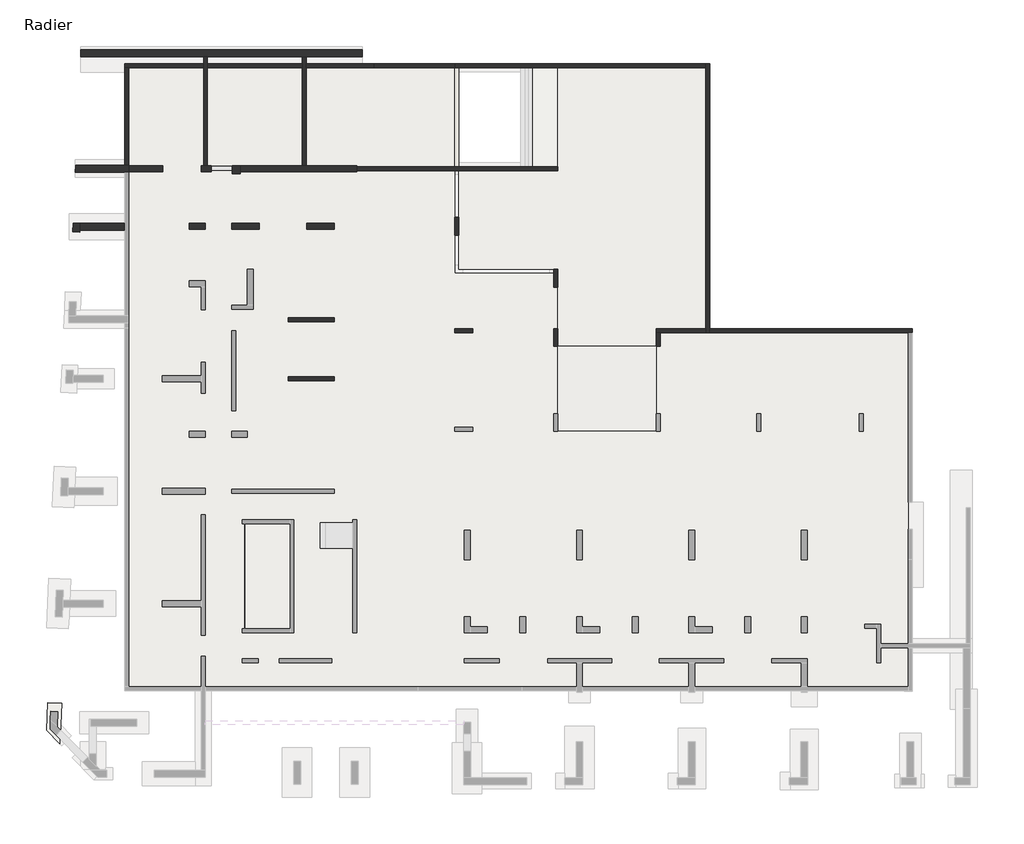
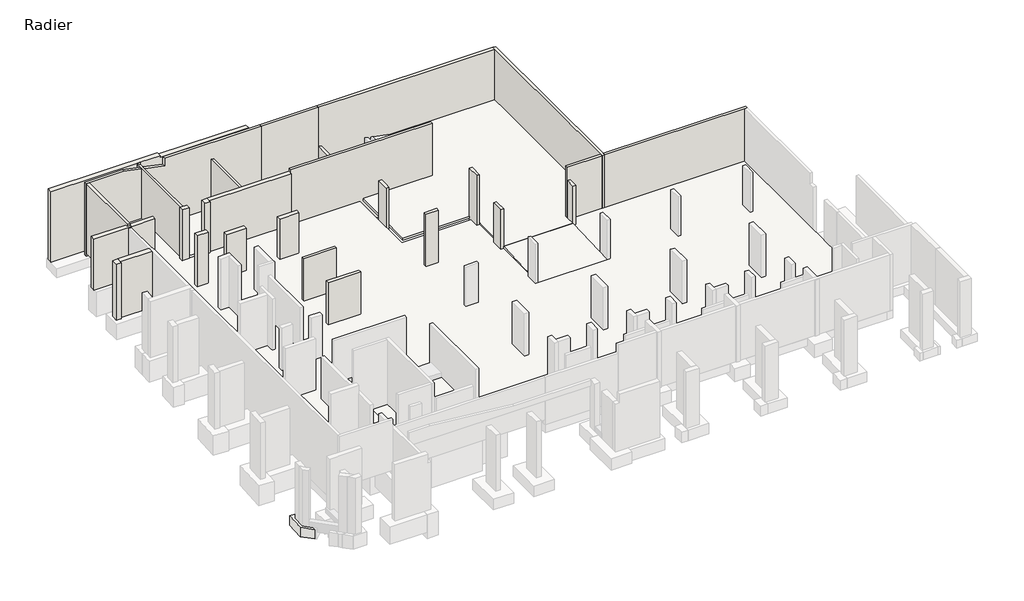
# One storey, part 3 of 5: 29 walls, 7 slabs, 1 footing.
"""IFC4 building model written with IfcOpenShell, lengths in millimetres."""

from ifc_helpers import new_model, si_unit, frame, origin, place, context, project, spatial, polyline, outline, extrude, faceted_brep, element, save

model = new_model("IFC4")

# Units and contexts
model_context = context("Model", 3, world=origin())
ifc_project = project(units=[si_unit("LENGTHUNIT", "METRE", prefix="MILLI")], contexts=[model_context])

# Site, building, storey
site = spatial("IfcSite", under=ifc_project)
building = spatial("IfcBuilding", under=site)
storey = spatial("IfcBuildingStorey", under=building, Name="Radier", Elevation=-3900.0)

# Footing
placement = place(None, origin())
element("IfcFooting", 1, at=placement, inside=storey, context=model_context, shape_type="Brep", body=[
    faceted_brep([(-44711.7209205, -15304.3985236, -4300.0), (-44012.4401019, -15336.1213366, -4300.0), (-44012.4401019, -15336.1213366, -5000.0), (-44711.7209205, -15304.3985236, -5000.0), (-44775.135193, -16702.2690206, -4300.0), (-44105.1806147, -17380.4438768, -4300.0), (-44061.9791653, -16428.1341019, -4300.0), (-44105.1806147, -17380.4438768, -5000.0), (-44061.9791653, -16428.1341019, -5000.0), (-44775.135193, -16702.2690206, -5000.0)], [[[0, 1, 2, 3]], [[0, 4, 5, 6, 1]], [[2, 1, 6, 5, 7, 8]], [[3, 2, 8, 7, 9]], [[0, 3, 9, 4]], [[5, 4, 9, 7]]]),
])

# Slabs
element("IfcSlab", 2, at=placement, inside=storey, context=model_context, shape_type="Brep", body=[
    faceted_brep([(-11395.6912908, 16850.9327501, -3900.0), (-11395.6912908, 11850.9327501, -3900.0), (-11395.6912908, 11650.9327501, -3900.0), (-11395.6912908, 3640.9327501, -3900.0), (-13895.6912908, 3640.9327501, -3900.0), (-13895.6912908, 3440.9327501, -3900.0), (-13895.6912908, 2940.9327501, -3900.0), (-13895.6912908, 2740.9327501, -3900.0), (-18895.6912908, 2740.9327501, -3900.0), (-18895.6912908, 2940.9327501, -3900.0), (-18895.6912908, 3440.9327501, -3900.0), (-18895.6912908, 3640.9327501, -3900.0), (-18895.6912908, 5750.9327501, -3900.0), (-18895.6912908, 6650.9327501, -3900.0), (-19095.6912908, 6650.9327501, -3900.0), (-23895.6912908, 6650.9327501, -3900.0), (-23895.6912908, 11650.9327501, -3900.0), (-19095.6912908, 11650.9327501, -3900.0), (-18895.6912908, 11650.9327501, -3900.0), (-18895.6912908, 11850.9327501, -3900.0), (-18895.6912908, 16850.9327501, -3900.0), (-11395.6912908, 16850.9327501, -3750.0), (-18895.6912908, 16850.9327501, -3750.0), (-18895.6912908, 11650.9327501, -3750.0), (-23895.6912908, 11650.9327501, -3750.0), (-23895.6912908, 9280.9327501, -3750.0), (-23895.6912908, 8380.9327501, -3750.0), (-23895.6912908, 6650.9327501, -3750.0), (-19095.6912908, 6650.9327501, -3750.0), (-18895.6912908, 6650.9327501, -3750.0), (-18895.6912908, 5750.9327501, -3750.0), (-18895.6912908, 3640.9327501, -3750.0), (-18895.6912908, 2740.9327501, -3750.0), (-13895.6912908, 2740.9327501, -3750.0), (-13895.6912908, 3640.9327501, -3750.0), (-11395.6912908, 3640.9327501, -3750.0)], [[[0, 1, 2, 3, 4, 5, 6, 7, 8, 9, 10, 11, 12, 13, 14, 15, 16, 17, 18, 19, 20]], [[21, 22, 23, 24, 25, 26, 27, 28, 29, 30, 31, 32, 33, 34, 35]], [[3, 2, 1, 0, 21, 35]], [[4, 3, 35, 34]], [[13, 12, 11, 10, 9, 8, 32, 31, 30, 29]], [[0, 20, 22, 21]], [[7, 6, 5, 4, 34, 33]], [[8, 7, 33, 32]], [[15, 14, 13, 29, 28, 27]], [[16, 15, 27, 26, 25, 24]], [[18, 17, 16, 24, 23]], [[20, 19, 18, 23, 22]]]),
])
element("IfcSlab", 3, at=placement, inside=storey, context=model_context, shape_type="SweptSolid", body=[
    extrude(outline(polyline([(-24095.6912908, 16850.9327501), (-24095.6912908, 11850.9327501), (-29065.6912908, 11850.9327501), (-29065.6912908, 11900.9327501), (-31825.6912908, 11900.9327501), (-31825.6912908, 16850.9327501), (-24095.6912908, 16850.9327501)])), frame((0.0, 0.0, -5030.0), z_axis=(0.0, 0.0, 1.0), x_axis=(1.0, 0.0, 0.0)), (0.0, 0.0, 1.0), 150.0),
])
element("IfcSlab", 4, at=placement, inside=storey, context=model_context, shape_type="Brep", body=[
    faceted_brep([(-36825.6912908, 16850.9327501, -4050.0), (-36825.6912908, 11900.9327501, -4050.0), (-36935.6912908, 11900.9327501, -4050.0), (-36935.6912908, 11600.9327501, -4050.0), (-36435.6912908, 11600.9327501, -4050.0), (-36435.6912908, 11650.9327501, -4050.0), (-35365.6912908, 11650.9327501, -4050.0), (-35365.6912908, 11500.9327501, -4050.0), (-34975.6912908, 11500.9327501, -4050.0), (-34975.6912908, 11600.9327501, -4050.0), (-29065.6912908, 11600.9327501, -4050.0), (-29065.6912908, 11650.9327501, -4050.0), (-24095.6912908, 11650.9327501, -4050.0), (-24095.6912908, 6450.9327501, -4050.0), (-23895.725742, 6450.9327501, -4050.0), (-18895.6912908, 6450.9327501, -4050.0), (-18895.6912908, 5750.9327501, -4050.0), (-18895.6912908, 3640.9327501, -4050.0), (-18895.6912908, -1559.0672499, -4050.0), (-13895.6912908, -1559.0672499, -4050.0), (-13895.6912908, 3640.9327501, -4050.0), (-1125.6912908, 3640.9327501, -4050.0), (-1125.6912908, -14494.0672499, -4050.0), (-40605.6912908, -14494.0672499, -4050.0), (-40605.6912908, 16850.9327501, -4050.0), (-32445.6912908, -6244.0672499, -4050.0), (-34745.6912908, -6244.0672499, -4050.0), (-34745.6912908, -11559.0672499, -4050.0), (-32445.6912908, -11559.0672499, -4050.0), (-36825.6912908, 16850.9327501, -3900.0), (-40605.6912908, 16850.9327501, -3900.0), (-40605.6912908, -14494.0672499, -3900.0), (-1125.6912908, -14494.0672499, -3900.0), (-1125.6912908, 3640.9327501, -3900.0), (-13895.6912908, 3640.9327501, -3900.0), (-13895.6912908, 3440.9327501, -3900.0), (-13895.6912908, 2940.9327501, -3900.0), (-13895.6912908, 2740.9327501, -3900.0), (-13895.6912908, -1359.0672499, -3900.0), (-13895.6912908, -1559.0672499, -3900.0), (-18895.6912908, -1559.0672499, -3900.0), (-18895.6912908, -1359.0672499, -3900.0), (-18895.6912908, 2740.9327501, -3900.0), (-18895.6912908, 2940.9327501, -3900.0), (-18895.6912908, 3440.9327501, -3900.0), (-18895.6912908, 3640.9327501, -3900.0), (-18895.6912908, 5750.9327501, -3900.0), (-18895.6912908, 6450.9327501, -3900.0), (-24095.6912908, 6450.9327501, -3900.0), (-24095.6912908, 11650.9327501, -3900.0), (-29065.6912908, 11650.9327501, -3900.0), (-29065.6912908, 11600.9327501, -3900.0), (-34975.6912908, 11600.9327501, -3900.0), (-34975.6912908, 11500.9327501, -3900.0), (-35365.6912908, 11500.9327501, -3900.0), (-35365.6912908, 11650.9327501, -3900.0), (-36435.6912908, 11650.9327501, -3900.0), (-36435.6912908, 11600.9327501, -3900.0), (-36935.6912908, 11600.9327501, -3900.0), (-36935.6912908, 11900.9327501, -3900.0), (-36825.6912908, 11900.9327501, -3900.0), (-32445.6912908, -6244.0672499, -3900.0), (-32445.6912908, -11559.0672499, -3900.0), (-34745.6912908, -11559.0672499, -3900.0), (-34745.6912908, -6244.0672499, -3900.0)], [[[0, 1, 2, 3, 4, 5, 6, 7, 8, 9, 10, 11, 12, 13, 14, 15, 16, 17, 18, 19, 20, 21, 22, 23, 24], [25, 26, 27, 28]], [[29, 30, 31, 32, 33, 34, 35, 36, 37, 38, 39, 40, 41, 42, 43, 44, 45, 46, 47, 48, 49, 50, 51, 52, 53, 54, 55, 56, 57, 58, 59, 60], [61, 62, 63, 64]], [[1, 0, 29, 60]], [[2, 1, 60, 59]], [[3, 2, 59, 58]], [[4, 3, 58, 57]], [[5, 4, 57, 56]], [[6, 5, 56, 55]], [[7, 6, 55, 54]], [[8, 7, 54, 53]], [[9, 8, 53, 52]], [[10, 9, 52, 51]], [[11, 10, 51, 50]], [[12, 11, 50, 49]], [[13, 12, 49, 48]], [[15, 14, 13, 48, 47]], [[18, 17, 16, 15, 47, 46, 45, 44, 43, 42, 41, 40]], [[19, 18, 40, 39]], [[20, 19, 39, 38, 37, 36, 35, 34]], [[21, 20, 34, 33]], [[22, 21, 33, 32]], [[23, 22, 32, 31]], [[24, 23, 31, 30]], [[0, 24, 30, 29]], [[26, 25, 61, 64]], [[27, 26, 64, 63]], [[28, 27, 63, 62]], [[25, 28, 62, 61]]]),
])
element("IfcSlab", 5, at=placement, inside=storey, context=model_context, shape_type="SweptSolid", body=[
    extrude(outline(polyline([(2740.9327501, -3899.5918469), (-1559.0672499, -4050.0918469), (-1559.0672499, -3900.0), (2740.9327501, -3749.5), (2740.9327501, -3899.5918469)])), frame((-18895.6912908, 0.0, 0.0), z_axis=(1.0, 0.0, 0.0), x_axis=(0.0, 1.0, 0.0)), (0.0, 0.0, 1.0), 5000.0),
])
element("IfcSlab", 6, at=placement, inside=storey, context=model_context, shape_type="SweptSolid", body=[
    extrude(outline(polyline([(-32445.6912908, -6244.0672499), (-32445.6912908, -11559.0672499), (-34745.6912908, -11559.0672499), (-34745.6912908, -6244.0672499), (-32445.6912908, -6244.0672499)])), frame((0.0, 0.0, -5750.0), z_axis=(0.0, 0.0, 1.0), x_axis=(1.0, 0.0, 0.0)), (0.0, 0.0, 1.0), 150.0),
])
element("IfcSlab", 7, at=placement, inside=storey, context=model_context, shape_type="Brep", body=[
    faceted_brep([(-18895.7442801, 16850.9327501, -3903.029703), (-18895.7442801, 11850.9327501, -3903.029703), (-18910.7428098, 11850.9327501, -3900.0), (-20150.6912908, 11850.9327501, -3649.5304068), (-20150.6912908, 16850.9327501, -3649.5304068), (-18910.7428098, 16850.9327501, -3900.0), (-18895.7442801, 16850.9327501, -3750.0), (-20150.6912908, 16850.9327501, -3496.5007038), (-20150.6912908, 11850.9327501, -3496.5007038), (-18895.7442801, 11850.9327501, -3750.0)], [[[0, 1, 2, 3, 4, 5]], [[6, 7, 8, 9]], [[1, 0, 6, 9]], [[3, 2, 1, 9, 8]], [[4, 3, 8, 7]], [[0, 5, 4, 7, 6]]]),
])
element("IfcSlab", 8, at=placement, inside=storey, context=model_context, shape_type="SweptSolid", body=[
    extrude(outline(polyline([(-31825.6912908, 16850.9327501), (-31825.6912908, 11900.9327501), (-36625.6912908, 11900.9327501), (-36625.6912908, 16850.9327501), (-31825.6912908, 16850.9327501)])), frame((0.0, 0.0, -5130.0), z_axis=(0.0, 0.0, 1.0), x_axis=(1.0, 0.0, 0.0)), (0.0, 0.0, 1.0), 250.0),
])

# Walls
element("IfcWall", 9, ObjectType="MHA20", at=placement, inside=storey, context=model_context, shape_type="Brep", body=[
    faceted_brep([(-40805.6912908, 16850.9327501, -5150.0), (-40805.6912908, 11750.9327501, -5150.0), (-40805.6912908, 11750.9327501, -4900.0), (-40805.6912908, 11750.9327501, -3900.0), (-40805.6912908, 11925.9327501, -3900.0), (-40805.6912908, 11925.9327501, -20.0), (-40805.6912908, 11900.9327501, -20.0), (-40805.6912908, 11750.9327501, -20.0), (-40805.6912908, 11750.9327501, 130.0), (-40805.6912908, 11900.9327501, 130.0), (-40805.6912908, 16850.9327501, 130.0), (-40605.6912908, 16850.9327501, -5150.0), (-40605.6912908, 16850.9327501, 130.0), (-40605.6912908, 11900.9327501, 130.0), (-40605.6912908, 11750.9327501, 130.0), (-40605.6912908, 11750.9327501, -20.0), (-40605.6912908, 11900.9327501, -20.0), (-40605.6912908, 11925.9327501, -20.0), (-40605.6912908, 11925.9327501, -3900.0), (-40605.6912908, 11750.9327501, -3900.0), (-40605.6912908, 11750.9327501, -4900.0), (-40605.6912908, 11750.9327501, -5150.0)], [[[0, 1, 2, 3, 4, 5, 6, 7, 8, 9, 10]], [[11, 12, 13, 14, 15, 16, 17, 18, 19, 20, 21]], [[1, 0, 11, 21]], [[8, 7, 15, 14]], [[10, 9, 8, 14, 13, 12]], [[0, 10, 12, 11]], [[5, 17, 16, 15, 7, 6]], [[3, 2, 1, 21, 20, 19]], [[18, 4, 3, 19]], [[5, 4, 18, 17]]]),
])
element("IfcWall", 10, ObjectType="MHA20", at=placement, inside=storey, context=model_context, shape_type="SweptSolid", body=[
    extrude(outline(polyline([(-925.6912908, 3440.9327501), (-11195.6912908, 3440.9327501), (-11195.6912908, 3640.9327501), (-925.6912908, 3640.9327501), (-925.6912908, 3440.9327501)])), frame((0.0, 0.0, -4300.0), z_axis=(0.0, 0.0, 1.0), x_axis=(1.0, 0.0, 0.0)), (0.0, 0.0, 1.0), 4400.0),
])
element("IfcWall", 11, ObjectType="MHA20", at=placement, inside=storey, context=model_context, shape_type="Brep", body=[
    faceted_brep([(-11195.6912908, 3440.9327501, -4300.0), (-11195.6912908, 3640.9327501, -4300.0), (-11195.6912908, 17050.9327501, -4300.0), (-11195.6912908, 17050.9327501, 100.0), (-11195.6912908, 3640.9327501, 100.0), (-11195.6912908, 3440.9327501, 100.0), (-11395.6912908, 3440.9327501, -4300.0), (-11395.6912908, 3440.9327501, 100.0), (-11395.6912908, 6435.9327501, 100.0), (-11395.6912908, 6635.9327501, 100.0), (-11395.6912908, 16850.9327501, 100.0), (-11395.6912908, 17050.9327501, 100.0), (-11395.6912908, 17050.9327501, -4300.0), (-11395.6912908, 16850.9327501, -4300.0)], [[[0, 1, 2, 3, 4, 5]], [[6, 7, 8, 9, 10, 11, 12, 13]], [[2, 1, 0, 6, 13, 12]], [[5, 4, 3, 11, 10, 9, 8, 7]], [[3, 2, 12, 11]], [[0, 5, 7, 6]]]),
])
element("IfcWall", 12, ObjectType="MHA20", at=placement, inside=storey, context=model_context, shape_type="Brep", body=[
    faceted_brep([(-32545.6912908, 1000.9327501, -4300.0), (-30205.6912908, 1000.9327501, -4300.0), (-30205.6912908, 1000.9327501, -1650.0), (-30205.6912908, 1000.9327501, -830.0), (-30205.6912908, 1000.9327501, -670.0), (-32545.6912908, 1000.9327501, -670.0), (-32545.6912908, 1000.9327501, -830.0), (-32545.6912908, 1000.9327501, -1650.0), (-32545.6912908, 1200.9327501, -4300.0), (-32545.6912908, 1200.9327501, -1650.0), (-32545.6912908, 1200.9327501, -830.0), (-32545.6912908, 1200.9327501, -670.0), (-30205.6912908, 1200.9327501, -670.0), (-30205.6912908, 1200.9327501, -830.0), (-30205.6912908, 1200.9327501, -1650.0), (-30205.6912908, 1200.9327501, -4300.0)], [[[0, 1, 2, 3, 4, 5, 6, 7]], [[8, 9, 10, 11, 12, 13, 14, 15]], [[1, 0, 8, 15]], [[4, 3, 2, 1, 15, 14, 13, 12]], [[5, 4, 12, 11]], [[0, 7, 6, 5, 11, 10, 9, 8]]]),
])
element("IfcWall", 13, ObjectType="MHA20", at=placement, inside=storey, context=model_context, shape_type="Brep", body=[
    faceted_brep([(-30205.6912908, 4200.9327501, -4300.0), (-32545.6912908, 4200.9327501, -4300.0), (-32545.6912908, 4200.9327501, -670.0), (-30205.6912908, 4200.9327501, -670.0), (-30205.6912908, 4200.9327501, -830.0), (-30205.6912908, 4200.9327501, -1650.0), (-30205.6912908, 4000.9327501, -4300.0), (-30205.6912908, 4000.9327501, -1650.0), (-30205.6912908, 4000.9327501, -830.0), (-30205.6912908, 4000.9327501, -670.0), (-32545.6912908, 4000.9327501, -670.0), (-32545.6912908, 4000.9327501, -4300.0)], [[[0, 1, 2, 3, 4, 5]], [[6, 7, 8, 9, 10, 11]], [[1, 0, 6, 11]], [[2, 1, 11, 10]], [[3, 2, 10, 9]], [[0, 5, 4, 3, 9, 8, 7, 6]]]),
])
element("IfcWall", 14, ObjectType="MHA20", at=placement, inside=storey, context=model_context, shape_type="Brep", body=[
    faceted_brep([(-36625.6912908, 11900.9327501, -5300.0), (-36625.6912908, 16850.9327501, -5300.0), (-36625.6912908, 17050.9327501, -5300.0), (-36625.6912908, 17405.9327501, -5300.0), (-36625.6912908, 17405.9327501, -20.0), (-36625.6912908, 17380.9327501, -20.0), (-36625.6912908, 17380.9327501, -168.54), (-36625.6912908, 17050.9327501, -168.54), (-36625.6912908, 16850.9327501, -168.54), (-36625.6912908, 11900.9327501, -168.54), (-36825.6912908, 17405.9327501, -5300.0), (-36825.6912908, 17050.9327501, -5300.0), (-36825.6912908, 16850.9327501, -5300.0), (-36825.6912908, 11900.9327501, -5300.0), (-36825.6912908, 11900.9327501, -128.14), (-36825.6912908, 16850.9327501, -128.14), (-36825.6912908, 17050.9327501, -128.14), (-36825.6912908, 17380.9327501, -128.14), (-36825.6912908, 17380.9327501, -20.0), (-36825.6912908, 17405.9327501, -20.0)], [[[0, 1, 2, 3, 4, 5, 6, 7, 8, 9]], [[10, 11, 12, 13, 14, 15, 16, 17, 18, 19]], [[3, 2, 1, 0, 13, 12, 11, 10]], [[4, 19, 18, 5]], [[13, 0, 9, 14]], [[17, 6, 5, 18]], [[6, 17, 16, 15, 14, 9, 8, 7]], [[4, 3, 10, 19]]]),
])
element("IfcWall", 15, ObjectType="MHA20", at=placement, inside=storey, context=model_context, shape_type="Brep", body=[
    faceted_brep([(-24095.6912908, 16850.9327501, -4300.0), (-11395.6912908, 16850.9327501, -4300.0), (-11395.6912908, 16850.9327501, 100.0), (-13695.6912908, 16850.9327501, 100.0), (-13895.6912908, 16850.9327501, 100.0), (-20550.6912908, 16850.9327501, 100.0), (-20750.6912908, 16850.9327501, 100.0), (-24095.6912908, 16850.9327501, 100.0), (-24095.6912908, 16850.9327501, -2576.9882812), (-24095.6912908, 17050.9327501, -4300.0), (-24095.6912908, 17050.9327501, 100.0), (-11395.6912908, 17050.9327501, 100.0), (-11395.6912908, 17050.9327501, -4300.0)], [[[0, 1, 2, 3, 4, 5, 6, 7, 8]], [[9, 10, 11, 12]], [[1, 0, 9, 12]], [[7, 6, 5, 4, 3, 2, 11, 10]], [[0, 8, 7, 10, 9]], [[2, 1, 12, 11]]]),
])
element("IfcWall", 16, ObjectType="MHA20", at=placement, inside=storey, context=model_context, shape_type="Brep", body=[
    faceted_brep([(-29065.6912908, 11650.9327501, 230.0), (-29065.6912908, 11650.9327501, -5570.0), (-18895.7442801, 11650.9327501, -5570.0), (-18895.7442801, 11650.9327501, -4550.0), (-18895.7442801, 11650.9327501, -3900.0), (-18895.7442801, 11650.9327501, -1450.0), (-18895.7442801, 11650.9327501, -951.7084699), (-18895.7442801, 11650.9327501, -771.6994701), (-18895.7442801, 11650.9327501, 230.0), (-29065.6912908, 11850.9327501, -5570.0), (-29065.6912908, 11850.9327501, 230.0), (-18895.7442801, 11850.9327501, 230.0), (-18895.7442801, 11850.9327501, -771.6994701), (-18895.7442801, 11850.9327501, -951.7084699), (-18895.7442801, 11850.9327501, -1450.0), (-18895.7442801, 11850.9327501, -3900.0), (-18895.7442801, 11850.9327501, -4550.0), (-18895.7442801, 11850.9327501, -5570.0)], [[[0, 1, 2, 3, 4, 5, 6, 7, 8]], [[9, 10, 11, 12, 13, 14, 15, 16, 17]], [[2, 1, 9, 17]], [[8, 7, 6, 5, 4, 3, 2, 17, 16, 15, 14, 13, 12, 11]], [[0, 8, 11, 10]], [[0, 10, 9, 1]]]),
])
element("IfcWall", 17, ObjectType="MHA20", at=placement, inside=storey, context=model_context, shape_type="Brep", body=[
    faceted_brep([(-31625.6912908, 11900.9327501, -5300.0), (-31625.6912908, 16850.9327501, -5300.0), (-31625.6912908, 17050.9327501, -5300.0), (-31625.6912908, 17405.9327501, -5300.0), (-31625.6912908, 17405.9327501, -907.3968269), (-31625.6912908, 17380.9327501, -907.3968269), (-31625.6912908, 17380.9327501, -1178.54), (-31625.6912908, 17050.9327501, -1178.54), (-31625.6912908, 16850.9327501, -1178.54), (-31625.6912908, 11900.9327501, -1178.54), (-31825.6912908, 17405.9327501, -5300.0), (-31825.6912908, 17050.9327501, -5300.0), (-31825.6912908, 16850.9327501, -5300.0), (-31825.6912908, 11900.9327501, -5300.0), (-31825.6912908, 11900.9327501, -1138.14), (-31825.6912908, 16850.9327501, -1138.14), (-31825.6912908, 17050.9327501, -1138.14), (-31825.6912908, 17380.9327501, -1138.14), (-31825.6912908, 17380.9327501, -907.3968269), (-31825.6912908, 17405.9327501, -907.3968269)], [[[0, 1, 2, 3, 4, 5, 6, 7, 8, 9]], [[10, 11, 12, 13, 14, 15, 16, 17, 18, 19]], [[3, 2, 1, 0, 13, 12, 11, 10]], [[4, 19, 18, 5]], [[13, 0, 9, 14]], [[17, 6, 5, 18]], [[6, 17, 16, 15, 14, 9, 8, 7]], [[4, 3, 10, 19]]]),
])
element("IfcWall", 18, ObjectType="MHA20", at=placement, inside=storey, context=model_context, shape_type="Brep", body=[
    faceted_brep([(-23895.6912908, 11850.9327501, -5300.0), (-23895.6912908, 16850.9327501, -5300.0), (-23895.6912908, 16850.9327501, -2903.2316832), (-23895.6912908, 11850.9327501, -2903.2316832), (-24095.6912908, 16850.9327501, -5300.0), (-24095.6912908, 11850.9327501, -5300.0), (-24095.6912908, 11850.9327501, -2862.8316832), (-24095.6912908, 16850.9327501, -2862.8316832), (-24095.6912908, 16850.9327501, -4300.0)], [[[0, 1, 2, 3]], [[4, 5, 6, 7, 8]], [[1, 0, 5, 4]], [[5, 0, 3, 6]], [[3, 2, 7, 6]], [[1, 4, 8, 7, 2]]]),
])
element("IfcWall", 19, ObjectType="MHA20", at=placement, inside=storey, context=model_context, shape_type="Brep", body=[
    faceted_brep([(-13895.6912908, 3440.9327501, -4300.0), (-13695.6912908, 3440.9327501, -4300.0), (-11395.6912908, 3440.9327501, -4300.0), (-11395.6912908, 3440.9327501, 100.0), (-13895.6912908, 3440.9327501, 100.0), (-13895.6912908, 3440.9327501, -900.0), (-13895.6912908, 3440.9327501, -1450.0), (-13895.6912908, 3440.9327501, -3900.0), (-13895.6912908, 3440.9327501, -4150.0), (-13895.6912908, 3640.9327501, -4300.0), (-13895.6912908, 3640.9327501, -4150.0), (-13895.6912908, 3640.9327501, -3900.0), (-13895.6912908, 3640.9327501, -1450.0), (-13895.6912908, 3640.9327501, 100.0), (-11395.6912908, 3640.9327501, 100.0), (-11395.6912908, 3640.9327501, -4300.0)], [[[0, 1, 2, 3, 4, 5, 6, 7, 8]], [[9, 10, 11, 12, 13, 14, 15]], [[2, 1, 0, 9, 15]], [[3, 2, 15, 14]], [[4, 3, 14, 13]], [[0, 8, 7, 6, 5, 4, 13, 12, 11, 10, 9]]]),
])
element("IfcWall", 20, ObjectType="MHA20", at=placement, inside=storey, context=model_context, shape_type="SweptSolid", body=[
    extrude(outline(polyline([(-24095.6912908, 16850.9327501), (-28205.6912908, 16850.9327501), (-28205.6912908, 17050.9327501), (-24095.6912908, 17050.9327501), (-24095.6912908, 16850.9327501)])), frame((0.0, 0.0, -5400.0), z_axis=(0.0, 0.0, 1.0), x_axis=(1.0, 0.0, 0.0)), (0.0, 0.0, 1.0), 5500.0),
])
element("IfcWall", 21, ObjectType="MHA20", at=placement, inside=storey, context=model_context, shape_type="Brep", body=[
    faceted_brep([(-40805.6912908, 16850.9327501, -5400.0), (-28205.6912908, 16850.9327501, -5400.0), (-28205.6912908, 16850.9327501, 100.0), (-35175.6912908, 16850.9327501, 100.0), (-35175.6912908, 16850.9327501, -461.44), (-36625.6912908, 16850.9327501, -168.54), (-36625.6912908, 16850.9327501, -5300.0), (-36825.6912908, 16850.9327501, -5300.0), (-36825.6912908, 16850.9327501, -128.14), (-38103.6120829, 16850.9327501, 130.0), (-40605.6912908, 16850.9327501, 130.0), (-40805.6912908, 16850.9327501, 130.0), (-40805.6912908, 16850.9327501, -5150.0), (-31625.6912908, 16850.9327501, -1178.54), (-31625.6912908, 16850.9327501, -5300.0), (-31825.6912908, 16850.9327501, -5300.0), (-31825.6912908, 16850.9327501, -1138.14), (-28205.6912908, 17050.9327501, -5400.0), (-40805.6912908, 17050.9327501, -5400.0), (-40805.6912908, 17050.9327501, 130.0), (-38103.6120829, 17050.9327501, 130.0), (-36825.6912908, 17050.9327501, -128.14), (-36825.6912908, 17050.9327501, -5300.0), (-36625.6912908, 17050.9327501, -5300.0), (-36625.6912908, 17050.9327501, -168.54), (-35175.6912908, 17050.9327501, -461.44), (-35175.6912908, 17050.9327501, 100.0), (-28205.6912908, 17050.9327501, 100.0), (-31625.6912908, 17050.9327501, -5300.0), (-31625.6912908, 17050.9327501, -1178.54), (-31825.6912908, 17050.9327501, -1138.14), (-31825.6912908, 17050.9327501, -5300.0)], [[[0, 1, 2, 3, 4, 5, 6, 7, 8, 9, 10, 11, 12], [13, 14, 15, 16]], [[17, 18, 19, 20, 21, 22, 23, 24, 25, 26, 27], [28, 29, 30, 31]], [[1, 0, 18, 17]], [[2, 1, 17, 27]], [[3, 2, 27, 26]], [[0, 12, 11, 19, 18]], [[4, 3, 26, 25]], [[4, 25, 24, 5]], [[20, 9, 8, 21]], [[11, 10, 9, 20, 19]], [[23, 6, 5, 24]], [[7, 22, 21, 8]], [[6, 23, 22, 7]], [[13, 29, 28, 14]], [[30, 16, 15, 31]], [[14, 28, 31, 15]], [[29, 13, 16, 30]]]),
])
element("IfcWall", 22, ObjectType="MHA20", at=placement, inside=storey, context=model_context, shape_type="Brep", body=[
    faceted_brep([(-13695.6912908, 2740.9327501, -4300.0), (-13695.6912908, 3440.9327501, -4300.0), (-13695.6912908, 3440.9327501, -1450.0), (-13695.6912908, 3440.9327501, -900.0), (-13695.6912908, 2740.9327501, -900.0), (-13695.6912908, 2740.9327501, -1450.0), (-13895.6912908, 2740.9327501, -4300.0), (-13895.6912908, 2740.9327501, -4150.0), (-13895.6912908, 2740.9327501, -3900.0), (-13895.6912908, 2740.9327501, -1450.0), (-13895.6912908, 2740.9327501, -900.0), (-13895.6912908, 3440.9327501, -900.0), (-13895.6912908, 3440.9327501, -1450.0), (-13895.6912908, 3440.9327501, -4300.0)], [[[0, 1, 2, 3, 4, 5]], [[6, 7, 8, 9, 10, 11, 12, 13]], [[1, 0, 6, 13]], [[4, 3, 11, 10]], [[0, 5, 4, 10, 9, 8, 7, 6]], [[3, 2, 1, 13, 12, 11]]]),
])
element("IfcWall", 23, ObjectType="MHA20", at=placement, inside=storey, context=model_context, shape_type="Brep", body=[
    faceted_brep([(-19095.6912908, 3640.9327501, -4300.0), (-19095.6912908, 2740.9327501, -4300.0), (-19095.6912908, 2740.9327501, -1450.0), (-19095.6912908, 2740.9327501, -900.0), (-19095.6912908, 3440.9327501, -900.0), (-19095.6912908, 3640.9327501, -900.0), (-19095.6912908, 3640.9327501, -1450.0), (-19095.6912908, 3640.9327501, -3750.0), (-19095.6912908, 3640.9327501, -3900.0), (-19095.6912908, 3640.9327501, -4050.0), (-19095.6912908, 3640.9327501, -4150.0), (-18895.6912908, 3640.9327501, -4300.0), (-18895.6912908, 3640.9327501, -4150.0), (-18895.6912908, 3640.9327501, -4050.0), (-18895.6912908, 3640.9327501, -3900.0), (-18895.6912908, 3640.9327501, -3750.0), (-18895.6912908, 3640.9327501, -1450.0), (-18895.6912908, 3640.9327501, -900.0), (-18895.6912908, 3440.9327501, -900.0), (-18895.6912908, 2740.9327501, -900.0), (-18895.6912908, 2740.9327501, -1450.0), (-18895.6912908, 2740.9327501, -3900.0), (-18895.6912908, 2740.9327501, -4150.0), (-18895.6912908, 2740.9327501, -4300.0)], [[[0, 1, 2, 3, 4, 5, 6, 7, 8, 9, 10]], [[11, 12, 13, 14, 15, 16, 17, 18, 19, 20, 21, 22, 23]], [[1, 0, 11, 23]], [[3, 2, 1, 23, 22, 21, 20, 19]], [[5, 4, 3, 19, 18, 17]], [[0, 10, 9, 8, 7, 6, 5, 17, 16, 15, 14, 13, 12, 11]]]),
])
element("IfcWall", 24, ObjectType="MHA20", at=placement, inside=storey, context=model_context, shape_type="Brep", body=[
    faceted_brep([(-18895.6912908, 5750.9327501, -4300.0), (-18895.6912908, 6650.9327501, -4300.0), (-18895.6912908, 6650.9327501, -3900.0), (-18895.6912908, 6650.9327501, -1450.0), (-18895.6912908, 6650.9327501, -951.7089998), (-18895.6912908, 6650.9327501, -771.7), (-18895.6912908, 6650.9327501, -100.0), (-18895.6912908, 5750.9327501, -100.0), (-18895.6912908, 5750.9327501, -771.7), (-18895.6912908, 5750.9327501, -951.7089998), (-18895.6912908, 5750.9327501, -1450.0), (-18895.6912908, 5750.9327501, -3750.0), (-18895.6912908, 5750.9327501, -3900.0), (-18895.6912908, 5750.9327501, -4050.0), (-19095.6912908, 5750.9327501, -4300.0), (-19095.6912908, 5750.9327501, -4050.0), (-19095.6912908, 5750.9327501, -3900.0), (-19095.6912908, 5750.9327501, -3750.0), (-19095.6912908, 5750.9327501, -1450.0), (-19095.6912908, 5750.9327501, -949.7089998), (-19095.6912908, 5750.9327501, -769.7), (-19095.6912908, 5750.9327501, -100.0), (-19095.6912908, 6650.9327501, -100.0), (-19095.6912908, 6650.9327501, -769.7), (-19095.6912908, 6650.9327501, -949.7089998), (-19095.6912908, 6650.9327501, -1450.0), (-19095.6912908, 6650.9327501, -3750.0), (-19095.6912908, 6650.9327501, -3900.0), (-19095.6912908, 6650.9327501, -4300.0), (-19095.6912908, 6450.9327501, -4300.0)], [[[0, 1, 2, 3, 4, 5, 6, 7, 8, 9, 10, 11, 12, 13]], [[14, 15, 16, 17, 18, 19, 20, 21, 22, 23, 24, 25, 26, 27, 28, 29]], [[1, 0, 14, 29, 28]], [[6, 5, 4, 3, 2, 1, 28, 27, 26, 25, 24, 23, 22]], [[7, 6, 22, 21]], [[0, 13, 12, 11, 10, 9, 8, 7, 21, 20, 19, 18, 17, 16, 15, 14]]]),
])
element("IfcWall", 25, ObjectType="MHA20", at=placement, inside=storey, context=model_context, shape_type="Brep", body=[
    faceted_brep([(-23895.6912908, 8380.9327501, -4300.0), (-23895.6912908, 9280.9327501, -4300.0), (-23895.6912908, 9280.9327501, -3750.0), (-23895.6912908, 9280.9327501, -901.7089998), (-23895.6912908, 8930.9327501, -901.7089998), (-23895.6912908, 8730.9327501, -901.7089998), (-23895.6912908, 8380.9327501, -901.7089998), (-23895.6912908, 8380.9327501, -3750.0), (-24095.6912908, 8380.9327501, -4300.0), (-24095.6912908, 8380.9327501, -3750.0), (-24095.6912908, 8380.9327501, -901.7089998), (-24095.6912908, 8730.9327501, -901.7089998), (-24095.6912908, 8930.9327501, -901.7089998), (-24095.6912908, 9280.9327501, -901.7089998), (-24095.6912908, 9280.9327501, -3750.0), (-24095.6912908, 9280.9327501, -4300.0)], [[[0, 1, 2, 3, 4, 5, 6, 7]], [[8, 9, 10, 11, 12, 13, 14, 15]], [[1, 0, 8, 15]], [[3, 2, 1, 15, 14, 13]], [[6, 5, 4, 3, 13, 12, 11, 10]], [[0, 7, 6, 10, 9, 8]]]),
])
element("IfcWall", 26, ObjectType="MHA20", at=placement, inside=storey, context=model_context, shape_type="Brep", body=[
    faceted_brep([(-24095.725742, 3440.9327501, -4300.0), (-23195.725742, 3440.9327501, -4300.0), (-23195.725742, 3440.9327501, -4150.0), (-23195.725742, 3440.9327501, -4050.0), (-23195.725742, 3440.9327501, -3900.0), (-23195.725742, 3440.9327501, -3750.0), (-23195.725742, 3440.9327501, 100.0), (-24095.725742, 3440.9327501, 100.0), (-24095.725742, 3440.9327501, -1450.0), (-24095.725742, 3640.9327501, -4300.0), (-24095.725742, 3640.9327501, -4050.0), (-24095.725742, 3640.9327501, -1450.0), (-24095.725742, 3640.9327501, 100.0), (-23195.725742, 3640.9327501, 100.0), (-23195.725742, 3640.9327501, -3750.0), (-23195.725742, 3640.9327501, -3900.0), (-23195.725742, 3640.9327501, -4050.0), (-23195.725742, 3640.9327501, -4150.0), (-23195.725742, 3640.9327501, -4300.0), (-23895.725742, 3640.9327501, -4300.0)], [[[0, 1, 2, 3, 4, 5, 6, 7, 8]], [[9, 10, 11, 12, 13, 14, 15, 16, 17, 18, 19]], [[1, 0, 9, 19, 18]], [[6, 5, 4, 3, 2, 1, 18, 17, 16, 15, 14, 13]], [[7, 6, 13, 12]], [[0, 8, 7, 12, 11, 10, 9]]]),
])
element("IfcWall", 27, ObjectType="MHA30", at=placement, inside=storey, context=model_context, shape_type="SweptSolid", body=[
    extrude(outline(polyline([(-37535.6912908, 8980.9327501), (-36735.6912908, 8980.9327501), (-36735.6912908, 8680.9327501), (-37535.6912908, 8680.9327501), (-37535.6912908, 8980.9327501)])), frame((0.0, 0.0, -4300.0), z_axis=(0.0, 0.0, 1.0), x_axis=(1.0, 0.0, 0.0)), (0.0, 0.0, 1.0), 4280.0),
])
element("IfcWall", 28, ObjectType="MHA30", at=placement, inside=storey, context=model_context, shape_type="Brep", body=[
    faceted_brep([(-36435.6912908, 11900.9327501, -5570.0), (-36935.6912908, 11900.9327501, -5570.0), (-36935.6912908, 11900.9327501, -20.0), (-36435.6912908, 11900.9327501, -20.0), (-36435.6912908, 11600.9327501, -5570.0), (-36435.6912908, 11600.9327501, -20.0), (-36935.6912908, 11600.9327501, -20.0), (-36935.6912908, 11600.9327501, -5570.0), (-36435.6912908, 11850.9327501, -5570.0), (-36435.6912908, 11650.9327501, -5570.0)], [[[0, 1, 2, 3]], [[4, 5, 6, 7]], [[1, 0, 8, 9, 4, 7]], [[2, 1, 7, 6]], [[3, 2, 6, 5]], [[0, 3, 5, 4, 9, 8]]]),
])
element("IfcWall", 29, ObjectType="MHA30", at=placement, inside=storey, context=model_context, shape_type="Brep", body=[
    faceted_brep([(-34975.6912908, 11600.9327501, -5570.0), (-29065.6912908, 11600.9327501, -5570.0), (-29065.6912908, 11600.9327501, -20.0), (-34975.6912908, 11600.9327501, -20.0), (-34975.6912908, 11900.9327501, -5570.0), (-34975.6912908, 11900.9327501, -20.0), (-29065.6912908, 11900.9327501, -20.0), (-29065.6912908, 11900.9327501, -5570.0), (-29065.6912908, 11850.9327501, -5570.0), (-29065.6912908, 11650.9327501, -5570.0)], [[[0, 1, 2, 3]], [[4, 5, 6, 7]], [[1, 0, 4, 7, 8, 9]], [[2, 1, 9, 8, 7, 6]], [[3, 2, 6, 5]], [[0, 3, 5, 4]]]),
])
element("IfcWall", 30, ObjectType="MHA30", at=placement, inside=storey, context=model_context, shape_type="Brep", body=[
    faceted_brep([(-35405.6912908, 8680.9327501, -4300.0), (-34005.6912908, 8680.9327501, -4300.0), (-34005.6912908, 8680.9327501, -1650.0), (-34005.6912908, 8680.9327501, -830.0), (-34005.6912908, 8680.9327501, -670.0), (-35405.6912908, 8680.9327501, -670.0), (-35405.6912908, 8980.9327501, -4300.0), (-35405.6912908, 8980.9327501, -670.0), (-34005.6912908, 8980.9327501, -670.0), (-34005.6912908, 8980.9327501, -830.0), (-34005.6912908, 8980.9327501, -1650.0), (-34005.6912908, 8980.9327501, -4300.0)], [[[0, 1, 2, 3, 4, 5]], [[6, 7, 8, 9, 10, 11]], [[1, 0, 6, 11]], [[4, 3, 2, 1, 11, 10, 9, 8]], [[5, 4, 8, 7]], [[0, 5, 7, 6]]]),
])
element("IfcWall", 31, ObjectType="MHA30", at=placement, inside=storey, context=model_context, shape_type="Brep", body=[
    faceted_brep([(-31605.6912908, 8680.9327501, -4300.0), (-30205.6912908, 8680.9327501, -4300.0), (-30205.6912908, 8680.9327501, -1650.0), (-30205.6912908, 8680.9327501, -830.0), (-31605.6912908, 8680.9327501, -830.0), (-31605.6912908, 8680.9327501, -1650.0), (-31605.6912908, 8980.9327501, -4300.0), (-31605.6912908, 8980.9327501, -1650.0), (-31605.6912908, 8980.9327501, -830.0), (-30205.6912908, 8980.9327501, -830.0), (-30205.6912908, 8980.9327501, -1650.0), (-30205.6912908, 8980.9327501, -4300.0)], [[[0, 1, 2, 3, 4, 5]], [[6, 7, 8, 9, 10, 11]], [[1, 0, 6, 11]], [[3, 2, 1, 11, 10, 9]], [[4, 3, 9, 8]], [[0, 5, 4, 8, 7, 6]]]),
])
element("IfcWall", 32, ObjectType="MHA30", at=placement, inside=storey, context=model_context, shape_type="SweptSolid", body=[
    extrude(outline(polyline([(-40605.6912908, 11900.9327501), (-38895.6912908, 11900.9327501), (-38895.6912908, 11600.9327501), (-40605.6912908, 11600.9327501), (-40605.6912908, 11900.9327501)])), frame((0.0, 0.0, -3900.0), z_axis=(0.0, 0.0, 1.0), x_axis=(1.0, 0.0, 0.0)), (0.0, 0.0, 1.0), 3880.0),
])
element("IfcWall", 33, ObjectType="MHA35", at=placement, inside=storey, context=model_context, shape_type="Brep", body=[
    faceted_brep([(-40605.6912908, 11925.9327501, -20.0), (-40605.6912908, 11925.9327501, -3900.0), (-40805.6912908, 11925.9327501, -3900.0), (-43301.2393501, 11925.9327501, -3900.0), (-43301.2393501, 11925.9327501, -20.0), (-40805.6912908, 11925.9327501, -20.0), (-40605.6912908, 11575.9327501, -3900.0), (-40605.6912908, 11575.9327501, -67.8), (-40605.6912908, 11575.9327501, -20.0), (-43317.1170694, 11575.9327501, -20.0), (-43317.1170694, 11575.9327501, -3700.0), (-43317.1170694, 11575.9327501, -3900.0), (-42966.7571088, 11575.9327501, -3900.0), (-40805.6912908, 11575.9327501, -3900.0), (-40605.6912908, 11900.9327501, -3900.0), (-40605.6912908, 11750.9327501, -3900.0), (-40605.6912908, 11600.9327501, -3900.0), (-40605.6912908, 11600.9327501, -20.0), (-40605.6912908, 11750.9327501, -20.0), (-40605.6912908, 11900.9327501, -20.0)], [[[0, 1, 2, 3, 4, 5]], [[6, 7, 8, 9, 10, 11, 12, 13]], [[6, 13, 12, 11, 3, 2, 1, 14, 15, 16]], [[9, 8, 17, 18, 19, 0, 5, 4]], [[1, 0, 19, 18, 17, 8, 7, 6, 16, 15, 14]], [[4, 3, 11, 10, 9]]]),
])
element("IfcWall", 34, ObjectType="MHA35", at=placement, inside=storey, context=model_context, shape_type="Brep", body=[
    faceted_brep([(-40805.6912908, 8980.9327501, -4300.0), (-43084.4790562, 8980.9327501, -4300.0), (-43084.4790562, 8980.9327501, -20.0), (-40805.6912908, 8980.9327501, -20.0), (-40805.6912908, 8980.9327501, -55.8), (-40805.6912908, 8630.9327501, -4300.0), (-40805.6912908, 8630.9327501, -20.0), (-43100.3567755, 8630.9327501, -20.0), (-43100.3567755, 8630.9327501, -4300.0)], [[[0, 1, 2, 3, 4]], [[5, 6, 7, 8]], [[1, 0, 5, 8]], [[3, 2, 7, 6]], [[0, 4, 3, 6, 5]], [[2, 1, 8, 7]]]),
])
element("IfcWall", 35, ObjectType="MHA35", at=placement, inside=storey, context=model_context, shape_type="Brep", body=[
    faceted_brep([(-28795.6912908, 17405.9327501, -5400.0), (-28795.6912908, 17405.9327501, -150.0), (-35175.6912908, 17405.9327501, -150.0), (-35175.6912908, 17405.9327501, -20.0), (-36625.6912908, 17405.9327501, -20.0), (-36825.6912908, 17405.9327501, -20.0), (-43052.6396307, 17405.9327501, -20.0), (-43052.6396307, 17405.9327501, -5400.0), (-28795.6912908, 17755.9327501, -150.0), (-28795.6912908, 17755.9327501, -5400.0), (-43036.7619114, 17755.9327501, -5400.0), (-43036.7619114, 17755.9327501, -20.0), (-35175.6912908, 17755.9327501, -20.0), (-35175.6912908, 17755.9327501, -150.0)], [[[0, 1, 2, 3, 4, 5, 6, 7]], [[8, 9, 10, 11, 12, 13]], [[7, 6, 11, 10]], [[9, 0, 7, 10]], [[1, 0, 9, 8]], [[3, 12, 11, 6, 5, 4]], [[2, 1, 8, 13]], [[3, 2, 13, 12]]]),
])
element("IfcWall", 36, ObjectType="MHA35", at=placement, inside=storey, context=model_context, shape_type="Brep", body=[
    faceted_brep([(-43104.8825344, 8531.1693292, -4300.0), (-43100.3567755, 8630.9327501, -4300.0), (-43084.4790562, 8980.9327501, -4300.0), (-43084.4790562, 8980.9327501, -20.0), (-43100.3567755, 8630.9327501, -20.0), (-43104.8825344, 8531.1693292, -20.0), (-43104.8825344, 8531.1693292, -3700.0), (-43454.5229436, 8547.0307357, -4300.0), (-43454.5229436, 8547.0307357, -3700.0), (-43454.5229436, 8547.0307357, -420.0), (-43454.5229436, 8547.0307357, -140.0), (-43454.5229436, 8547.0307357, -20.0), (-43434.8390168, 8980.9327501, -20.0), (-43434.8390168, 8980.9327501, -140.0), (-43434.8390168, 8980.9327501, -420.0), (-43434.8390168, 8980.9327501, -4300.0)], [[[0, 1, 2, 3, 4, 5, 6]], [[7, 8, 9, 10, 11, 12, 13, 14, 15]], [[2, 1, 0, 7, 15]], [[5, 4, 3, 12, 11]], [[0, 6, 5, 11, 10, 9, 8, 7]], [[3, 2, 15, 14, 13, 12]]]),
])
element("IfcWall", 37, ObjectType="MHA40", at=placement, inside=storey, context=model_context, shape_type="Brep", body=[
    faceted_brep([(-34975.6912908, 11900.9327501, -5570.0), (-35365.6912908, 11900.9327501, -5570.0), (-35365.6912908, 11900.9327501, -20.0), (-34975.6912908, 11900.9327501, -20.0), (-34975.6912908, 11500.9327501, -5570.0), (-34975.6912908, 11500.9327501, -20.0), (-35365.6912908, 11500.9327501, -20.0), (-35365.6912908, 11500.9327501, -5570.0), (-34975.6912908, 11600.9327501, -5570.0), (-35365.6912908, 11650.9327501, -5570.0), (-35365.6912908, 11850.9327501, -5570.0), (-34975.6912908, 11600.9327501, -20.0)], [[[0, 1, 2, 3]], [[4, 5, 6, 7]], [[1, 0, 8, 4, 7, 9, 10]], [[2, 1, 10, 9, 7, 6]], [[3, 2, 6, 5, 11]], [[0, 3, 11, 5, 4, 8]]]),
])

save(model, "model.ifc")
